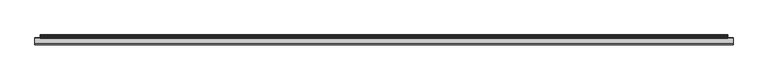
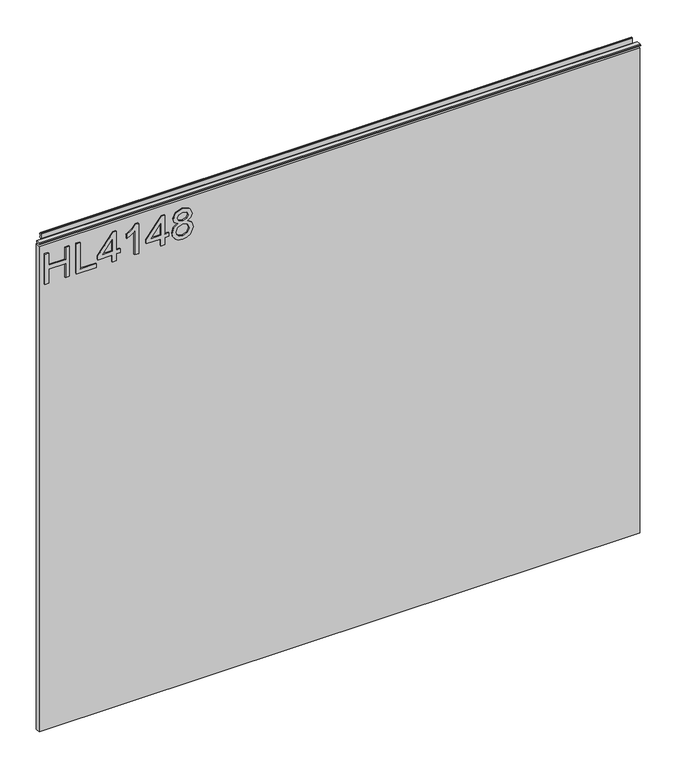
"""IFC4 building model written with IfcOpenShell, lengths in millimetres: furniture geometry."""

from ifc_helpers import new_model, si_unit, frame, origin, place, context, project, spatial, polyline, outline, extrude, source, transform, mapped, element, save


def furniture_f013a10e(model_context):
    return source(origin(), model_context, "Body", "SweptSolid", [
        extrude(outline(polyline([(1053.0078, -288.5795281), (1053.0078, -280.6058085), (1082.9092486, -280.6058085), (1082.9092486, -246.7175001), (1053.0078, -246.7175001), (1053.0078, -238.7437805), (1116.7975569, -238.7437805), (1116.7975569, -246.7175001), (1090.8829682, -246.7175001), (1090.8829682, -280.6058085), (1116.7975569, -280.6058085), (1116.7975569, -288.5795281), (1053.0078, -288.5795281)])), frame((0.0, -5.6037602, 0.0), z_axis=(0.0, 1.0, 0.0), x_axis=(0.0, 0.0, 1.0)), (0.0, 0.0, 1.0), 2.38125),
        extrude(outline(polyline([(1053.0078, -224.7897712), (1053.0078, -184.9211731), (1060.9815196, -184.9211731), (1060.9815196, -216.8160515), (1116.7975569, -216.8160515), (1116.7975569, -224.7897712), (1053.0078, -224.7897712)])), frame((0.0, -5.6037602, 0.0), z_axis=(0.0, 1.0, 0.0), x_axis=(0.0, 0.0, 1.0)), (0.0, 0.0, 1.0), 2.38125),
        extrude(outline(polyline([(1053.0078, -153.0262946), (1053.0078, -145.052575), (1067.9585243, -145.052575), (1067.9585243, -137.0788554), (1075.9322439, -137.0788554), (1075.9322439, -145.052575), (1115.800842, -145.052575), (1115.800842, -151.0328647), (1075.9322439, -181.9310282), (1067.9585243, -181.9310282), (1067.9585243, -153.0262946), (1053.0078, -153.0262946)]), holes=[polyline([(1075.9322439, -153.0262946), (1075.9322439, -172.1196154), (1100.5697916, -153.0262946), (1075.9322439, -153.0262946)])]), frame((0.0, -5.6037602, 0.0), z_axis=(0.0, 1.0, 0.0), x_axis=(0.0, 0.0, 1.0)), (0.0, 0.0, 1.0), 2.38125),
        extrude(outline(polyline([(1053.0078, -100.2004021), (1116.7975569, -100.2004021), (1116.7975569, -105.3397136), (1108.3099062, -112.4335208), (1100.8501177, -124.121561), (1093.3124609, -124.121561), (1097.3382549, -115.7273522), (1102.7189582, -108.1741217), (1053.0078, -108.1741217), (1053.0078, -100.2004021)])), frame((0.0, -5.6037602, 0.0), z_axis=(0.0, 1.0, 0.0), x_axis=(0.0, 0.0, 1.0)), (0.0, 0.0, 1.0), 2.38125),
        extrude(outline(polyline([(1053.0078, -55.3482293), (1053.0078, -47.3745096), (1067.9585243, -47.3745096), (1067.9585243, -39.40079), (1075.9322439, -39.40079), (1075.9322439, -47.3745096), (1115.800842, -47.3745096), (1115.800842, -53.3547994), (1075.9322439, -84.2529629), (1067.9585243, -84.2529629), (1067.9585243, -55.3482293), (1053.0078, -55.3482293)]), holes=[polyline([(1075.9322439, -55.3482293), (1075.9322439, -74.4415501), (1100.5697916, -55.3482293), (1075.9322439, -55.3482293)])]), frame((0.0, -5.6037602, 0.0), z_axis=(0.0, 1.0, 0.0), x_axis=(0.0, 0.0, 1.0)), (0.0, 0.0, 1.0), 2.38125),
        extrude(outline(polyline([(1088.1420021, -20.8058267), (1082.3485964, -29.4024932), (1071.7896474, -32.4237854), (1064.0320125, -30.9832208), (1057.6721145, -26.661527), (1053.4263424, -19.988209), (1052.011085, -11.4927714), (1053.4205023, -2.9973338), (1057.648754, 3.6759843), (1071.571616, 9.4382426), (1081.8891731, 6.533753), (1088.1420021, -1.946111), (1093.071069, 5.1165489), (1100.5853653, 7.4448127), (1112.0787346, 2.2120592), (1116.7975569, -11.6017871), (1112.1877503, -25.291044), (1100.8033967, -30.4303555), (1093.0944295, -28.0709443), (1088.1420021, -20.8058267)]), holes=[polyline([(1072.0699735, -24.4500657), (1080.5264769, -21.0783659), (1083.9059635, -11.6952291), (1080.4797559, -2.039553), (1071.8207947, 1.464523), (1063.3253571, -1.9305373), (1059.9848047, -11.4304767), (1061.5733191, -18.4074813), (1066.0663232, -23.1185169), (1072.0699735, -24.4500657)]), polyline([(1100.5697916, -22.4566358), (1106.3943446, -19.5832935), (1108.8238373, -11.4927714), (1106.3398368, -3.4256097), (1100.2115972, -0.5289069), (1094.2936022, -3.3321677), (1091.8796831, -11.3993293), (1094.3091758, -19.6300145), (1100.5697916, -22.4566358)])]), frame((0.0, -5.6037602, 0.0), z_axis=(0.0, 1.0, 0.0), x_axis=(0.0, 0.0, 1.0)), (0.0, 0.0, 1.0), 2.38125),
        extrude(outline(polyline([(5.5562561, 1143.0), (6.3500061, 1143.0), (6.3500061, 1152.87425), (7.1437561, 1153.668), (8.6677569, 1153.668), (10.0084363, 1153.2506926), (10.875413, 1152.1461816), (10.9623604, 1150.7447591), (10.2390011, 1147.7863459), (10.4046103, 1146.5833307), (11.6746103, 1144.3836103), (10.7786383, 1143.8663244), (7.1437561, 1143.8663244), (7.1437561, 1143.0), (6.3500061, 1142.7669239), (6.3500061, 1135.5578), (5.5562561, 1135.5578), (5.5562561, 1143.0)])), frame((-288.671, 0.0, 0.0), z_axis=(1.0, 0.0, 0.0), x_axis=(0.0, 1.0, 0.0)), (0.0, 0.0, 1.0), 1186.942),
        extrude(outline(polyline([(5.5562561, 1143.0), (5.5562561, 1139.8249996), (-3.975094, 1139.8249996), (-5.3492339, 1140.6183657), (-5.3492339, 1142.2066395), (-3.9751037, 1143.0), (5.5562561, 1143.0)])), frame((-298.196, 0.0, 0.0), z_axis=(1.0, 0.0, 0.0), x_axis=(0.0, 1.0, 0.0)), (0.0, 0.0, 1.0), 1205.992),
        extrude(outline(polyline([(907.796, 6.3500061), (907.796, -3.1749939), (-298.196, -3.1749939), (-298.196, 6.3500061), (907.796, 6.3500061)])), frame((0.0, 0.0, 104.69626), z_axis=(0.0, 0.0, 1.0), x_axis=(1.0, 0.0, 0.0)), (0.0, 0.0, 1.0), 1030.86154),
    ])


if __name__ == "__main__":
    model = new_model("IFC4")
    model_context = context("Model", 3, world=origin())
    ifc_project = project(units=[si_unit("LENGTHUNIT", "METRE", prefix="MILLI")], contexts=[model_context])
    site = spatial("IfcSite", under=ifc_project)
    building = spatial("IfcBuilding", under=site)
    placement = place(None, origin())
    furniture_shape = furniture_f013a10e(model_context)
    element("IfcFurniture", 1, at=placement, inside=building, context=model_context, shape_type="MappedRepresentation", body=[
        mapped(furniture_shape, transform((0.0, 0.0, 0.0), x_axis=(1.0, 0.0, 0.0), y_axis=(0.0, 1.0, 0.0), z_axis=(0.0, 0.0, 1.0))),
    ])
    save(model, "model.ifc")
